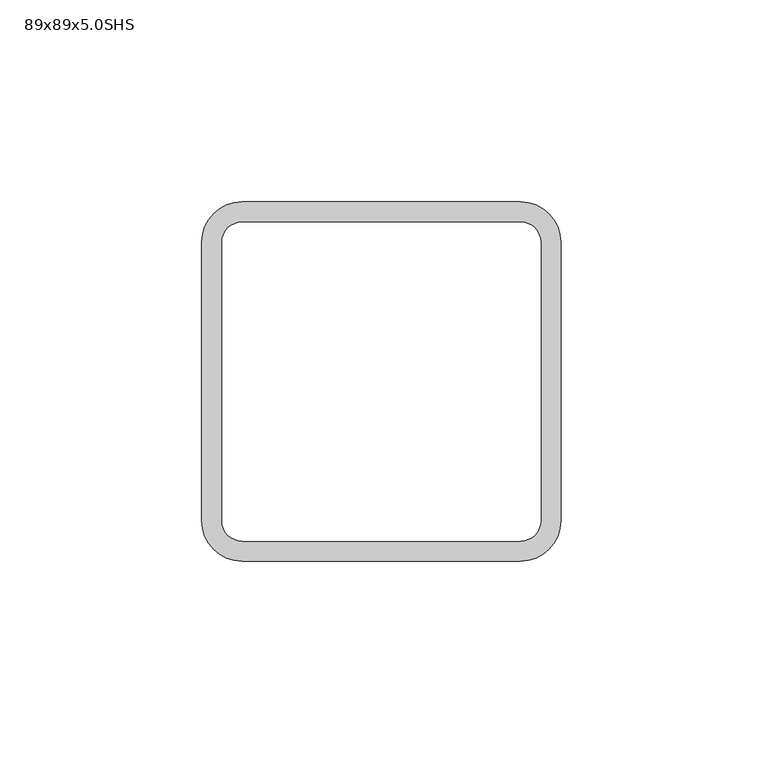
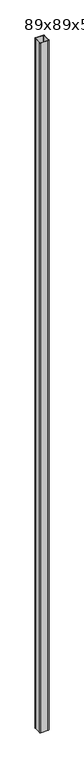
"""IFC4 building model written with IfcOpenShell, lengths in millimetres: column geometry, 89x89x5.0SHS."""

from ifc_helpers import new_model, si_unit, point, frame, frame_2d, origin, place, context, project, spatial, polyline, circle_curve, trimmed, segment, composite_curve, outline, extrude, source, transform, mapped, element, save


def column_89x89x5_0shs_9eab53b8(model_context):
    return source(origin(), model_context, "Body", "SweptSolid", [
        extrude(outline(composite_curve([segment(trimmed(circle_curve(frame_2d((34.5, 34.5)), 10.0), [point((34.5, 44.5))], [point((44.5, 34.5))], False, "CARTESIAN"), True, "CONTINUOUS"), segment(polyline([(44.5, 34.5), (44.5, -34.5)]), True, "CONTINUOUS"), segment(trimmed(circle_curve(frame_2d((34.5, -34.5)), 10.0), [point((44.5, -34.5))], [point((34.5, -44.5))], False, "CARTESIAN"), True, "CONTINUOUS"), segment(polyline([(34.5, -44.5), (-34.5, -44.5)]), True, "CONTINUOUS"), segment(trimmed(circle_curve(frame_2d((-34.5, -34.5)), 10.0), [point((-34.5, -44.5))], [point((-44.5, -34.5))], False, "CARTESIAN"), True, "CONTINUOUS"), segment(polyline([(-44.5, -34.5), (-44.5, 34.5)]), True, "CONTINUOUS"), segment(trimmed(circle_curve(frame_2d((-34.5, 34.5)), 10.0), [point((-44.5, 34.5))], [point((-34.5, 44.5))], False, "CARTESIAN"), True, "CONTINUOUS"), segment(polyline([(-34.5, 44.5), (34.5, 44.5)]), True, "CONTINUOUS")], self_intersect=False), holes=[composite_curve([segment(polyline([(34.5, 39.5), (-34.5, 39.5)]), True, "CONTINUOUS"), segment(trimmed(circle_curve(frame_2d((-34.5, 34.5)), 5.0), [point((-34.5, 39.5))], [point((-39.5, 34.5))], True, "CARTESIAN"), True, "CONTINUOUS"), segment(polyline([(-39.5, 34.5), (-39.5, -34.5)]), True, "CONTINUOUS"), segment(trimmed(circle_curve(frame_2d((-34.5, -34.5)), 5.0), [point((-39.5, -34.5))], [point((-34.5, -39.5))], True, "CARTESIAN"), True, "CONTINUOUS"), segment(polyline([(-34.5, -39.5), (34.5, -39.5)]), True, "CONTINUOUS"), segment(trimmed(circle_curve(frame_2d((34.5, -34.5)), 5.0), [point((34.5, -39.5))], [point((39.5, -34.5))], True, "CARTESIAN"), True, "CONTINUOUS"), segment(polyline([(39.5, -34.5), (39.5, 34.5)]), True, "CONTINUOUS"), segment(trimmed(circle_curve(frame_2d((34.5, 34.5)), 5.0), [point((39.5, 34.5))], [point((34.5, 39.5))], True, "CARTESIAN"), True, "CONTINUOUS")], self_intersect=False)]), frame((0.0, 0.0, -100.0), z_axis=(0.0, 0.0, 1.0), x_axis=(1.0, 0.0, 0.0)), (0.0, 0.0, 1.0), 7000.0),
    ])


if __name__ == "__main__":
    model = new_model("IFC4")
    model_context = context("Model", 3, world=origin())
    ifc_project = project(units=[si_unit("LENGTHUNIT", "METRE", prefix="MILLI")], contexts=[model_context])
    site = spatial("IfcSite", under=ifc_project)
    building = spatial("IfcBuilding", under=site)
    placement = place(None, origin())
    column_89x89x5_0shs_shape = column_89x89x5_0shs_9eab53b8(model_context)
    element("IfcColumn", 1, ObjectType="89x89x5.0SHS", at=placement, inside=building, context=model_context, shape_type="MappedRepresentation", body=[
        mapped(column_89x89x5_0shs_shape, transform((0.0, 0.0, 0.0), x_axis=(1.0, 0.0, 0.0), y_axis=(0.0, 1.0, 0.0), z_axis=(0.0, 0.0, 1.0))),
    ])
    save(model, "model.ifc")
